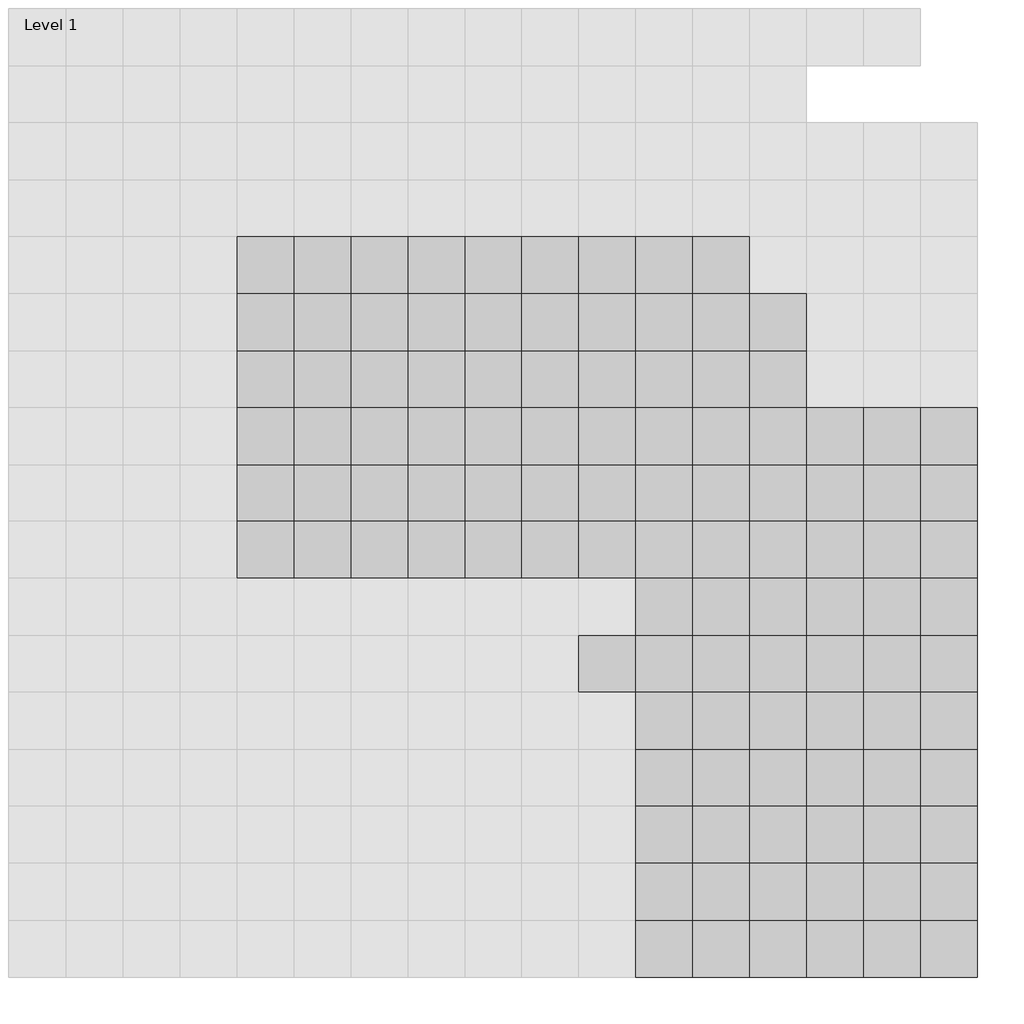
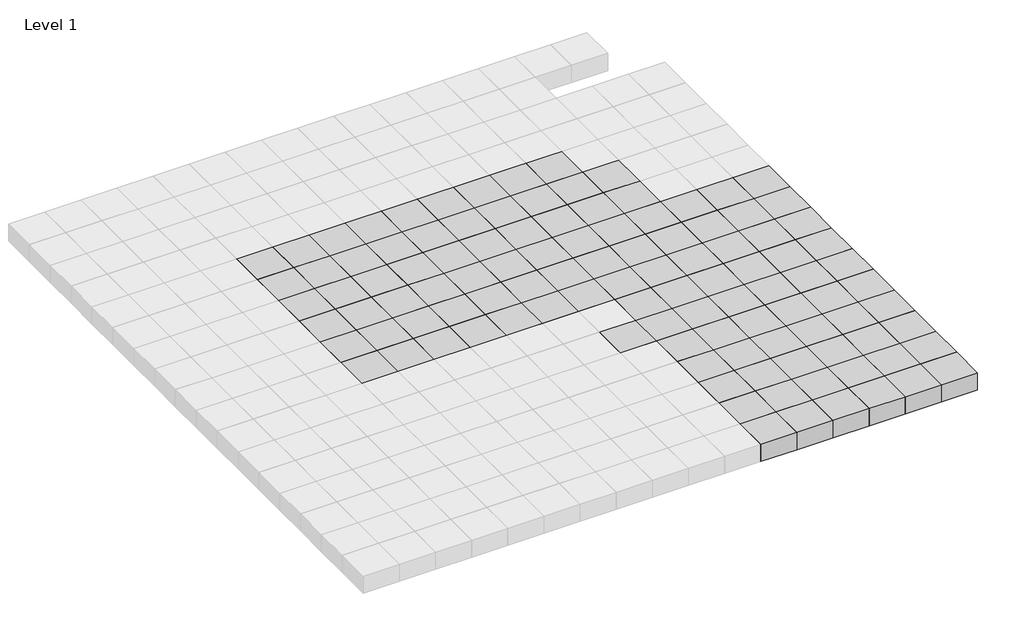
# One storey, part 19 of 30: 111 columns.
"""IFC4 building model written with IfcOpenShell, lengths in millimetres."""

import ifcopenshell
import ifcopenshell.guid

model = None  # the IFC model being written
_history = None  # IfcOwnerHistory: only IFC2X3 demands one
_inside = {}  # id of a spatial element -> (the spatial element, [elements in it])
_under = {}  # id of a project, library or spatial element -> (it, [spatial elements below it])
_declared = {}  # id of a project -> (the project, [libraries it declares])
_typed = {}  # id of a type object -> (the type object, [elements of that type])
_made_of = {}  # id of a material, layer set ... -> (it, [elements and type objects made of it])


def new_model(schema):
    """Start an empty IFC model of exactly this schema.

    Asked for "IFC4X3", IfcOpenShell would pick the latest addendum, in which some entities
    have other attributes; the version numbers below select the first issue.
    IFC2X3 requires an IfcOwnerHistory on every rooted entity: one is made here for all.
    """
    global model, _history
    if schema == "IFC4X3":
        model = ifcopenshell.file(schema_version=(4, 3, 0, 0))
    else:
        model = ifcopenshell.file(schema=schema)
    _inside.clear()
    _under.clear()
    _declared.clear()
    _typed.clear()
    _made_of.clear()
    _history = None
    if model.schema == "IFC2X3":
        org = make("IfcOrganization", Name="unknown")
        user = make(
            "IfcPersonAndOrganization",
            ThePerson=make("IfcPerson", FamilyName="unknown"),
            TheOrganization=org,
        )
        app = make(
            "IfcApplication",
            ApplicationDeveloper=org,
            Version="unknown",
            ApplicationFullName="unknown",
            ApplicationIdentifier="unknown",
        )
        _history = make(
            "IfcOwnerHistory",
            OwningUser=user,
            OwningApplication=app,
            ChangeAction="ADDED",
            CreationDate=0,
        )
    return model


def make(cls, **values):
    """One entity of the class cls with the attributes given. An attribute that is None is left unset."""
    return model.create_entity(
        cls, **{name: value for name, value in values.items() if value is not None}
    )


def rooted(cls, **values):
    """An entity with a GlobalId (a new one), such as an element, a storey or a relation."""
    return make(cls, GlobalId=ifcopenshell.guid.new(), OwnerHistory=_history, **values)


def si_unit(unit_type, name, prefix=None):
    """IfcSIUnit, for example si_unit("LENGTHUNIT", "METRE", prefix="MILLI")."""
    return make("IfcSIUnit", UnitType=unit_type, Prefix=prefix, Name=name)


def assignment(units):
    """IfcUnitAssignment: the units of a project."""
    return None if units is None else make("IfcUnitAssignment", Units=units)


def point(xyz):
    """IfcCartesianPoint."""
    return None if xyz is None else make("IfcCartesianPoint", Coordinates=xyz)


def direction(xyz):
    """IfcDirection."""
    return None if xyz is None else make("IfcDirection", DirectionRatios=xyz)


def frame(location, z_axis=None, x_axis=None):
    """IfcAxis2Placement3D, a coordinate frame: its origin and axes. An axis left out is left unset."""
    return make(
        "IfcAxis2Placement3D",
        Location=point(location),
        Axis=direction(z_axis),
        RefDirection=direction(x_axis),
    )


def origin():
    """The frame at (0, 0, 0) with its axes left unset."""
    return frame((0.0, 0.0, 0.0))


def origin_with_axes():
    """The frame at (0, 0, 0) with the z axis (0, 0, 1) and the x axis (1, 0, 0) written out."""
    return frame((0.0, 0.0, 0.0), z_axis=(0.0, 0.0, 1.0), x_axis=(1.0, 0.0, 0.0))


def place(relative_to, where):
    """IfcLocalPlacement: puts the frame where relative to a parent placement (None: the world)."""
    return make(
        "IfcLocalPlacement", PlacementRelTo=relative_to, RelativePlacement=where
    )


def context(
    kind, dimensions, precision=None, world=None, true_north=None, identifier=None
):
    """IfcGeometricRepresentationContext, for example the 3D "Model" context."""
    return make(
        "IfcGeometricRepresentationContext",
        ContextIdentifier=identifier,
        ContextType=kind,
        CoordinateSpaceDimension=dimensions,
        Precision=precision,
        WorldCoordinateSystem=world,
        TrueNorth=true_north,
    )


def project(units=None, contexts=None):
    """IfcProject with its units and contexts."""
    return rooted(
        "IfcProject",
        Name="project",
        RepresentationContexts=contexts,
        UnitsInContext=assignment(units),
    )


def spatial(cls, under=None, at=None, **own):
    """A site, building, storey or space (cls), placed at a placement, below another one or the project."""
    s = rooted(cls, ObjectPlacement=at, **own)
    if under is not None:
        _under.setdefault(under.id(), (under, []))[1].append(s)
    return s


def polyline(points):
    """IfcPolyline through the points."""
    return make("IfcPolyline", Points=[point(p) for p in points])


def outline(outer, holes=None, kind="AREA"):
    """IfcArbitraryClosedProfileDef: a profile drawn as a closed curve; with holes, ...WithVoids."""
    if holes is None:
        return make("IfcArbitraryClosedProfileDef", ProfileType=kind, OuterCurve=outer)
    return make(
        "IfcArbitraryProfileDefWithVoids",
        ProfileType=kind,
        OuterCurve=outer,
        InnerCurves=holes,
    )


def extrude(swept, where, along, depth):
    """IfcExtrudedAreaSolid: the profile swept, set in the frame where, extruded along a direction by depth."""
    return make(
        "IfcExtrudedAreaSolid",
        SweptArea=swept,
        Position=where,
        ExtrudedDirection=direction(along),
        Depth=depth,
    )


def shape(context_of_items, identifier, shape_type, items):
    """IfcShapeRepresentation: the items that make up one representation, for example the "Body"."""
    return make(
        "IfcShapeRepresentation",
        ContextOfItems=context_of_items,
        RepresentationIdentifier=identifier,
        RepresentationType=shape_type,
        Items=items,
    )


def source(mapping_origin, context_of_items, identifier, shape_type, items):
    """IfcRepresentationMap: a shape defined once, which mapped items show again and again."""
    return make(
        "IfcRepresentationMap",
        MappingOrigin=mapping_origin,
        MappedRepresentation=shape(context_of_items, identifier, shape_type, items),
    )


def transform(
    local_origin,
    x_axis=None,
    y_axis=None,
    z_axis=None,
    scale=None,
    scale2=None,
    scale3=None,
    uniform=True,
):
    """IfcCartesianTransformationOperator3D, or its non-uniform kind. x_axis, y_axis, z_axis: its Axis1, 2, 3."""
    if uniform:
        return make(
            "IfcCartesianTransformationOperator3D",
            Axis1=direction(x_axis),
            Axis2=direction(y_axis),
            LocalOrigin=point(local_origin),
            Scale=scale,
            Axis3=direction(z_axis),
        )
    return make(
        "IfcCartesianTransformationOperator3DnonUniform",
        Axis1=direction(x_axis),
        Axis2=direction(y_axis),
        LocalOrigin=point(local_origin),
        Scale=scale,
        Axis3=direction(z_axis),
        Scale2=scale2,
        Scale3=scale3,
    )


def mapped(mapping_source, mapping_target):
    """IfcMappedItem: shows the shape of a source again, moved by a transform."""
    return make(
        "IfcMappedItem", MappingSource=mapping_source, MappingTarget=mapping_target
    )


def made_of(thing, what):
    """Note that an element or type object is made of a material, layer set ...; save() writes the relation."""
    if what is not None:
        _made_of.setdefault(what.id(), (what, []))[1].append(thing)
    return thing


def element(
    cls,
    number,
    at=None,
    inside=None,
    cuts=None,
    type_object=None,
    material=None,
    context=None,
    identifier="Body",
    shape_type=None,
    held_by="IfcProductDefinitionShape",
    body=None,
    shapes=None,
    **own,
):
    """One element of the class cls, such as IfcWall. Its Tag is "e" and its number.

    at: its placement. inside: the storey or other place that contains it. cuts: it is an
    opening in that element (IfcRelVoidsElement). A single representation is given by context,
    identifier, shape_type and body (its items); several are given by shapes. held_by: the class
    of the entity that holds the representations. save() writes the other relations.
    """
    e = rooted(cls, Tag="e%d" % number, ObjectPlacement=at, **own)
    if body is not None:
        shapes = [shape(context, identifier, shape_type, body)]
    if shapes is not None:
        e.Representation = make(held_by, Representations=shapes)
    if inside is not None:
        _inside.setdefault(inside.id(), (inside, []))[1].append(e)
    if cuts is not None:
        rooted(
            "IfcRelVoidsElement", RelatingBuildingElement=cuts, RelatedOpeningElement=e
        )
    if type_object is not None:
        _typed.setdefault(type_object.id(), (type_object, []))[1].append(e)
    return made_of(e, material)


def aggregate(whole, parts):
    """IfcRelAggregates: a whole, such as a stair, and the parts it consists of."""
    return rooted("IfcRelAggregates", RelatingObject=whole, RelatedObjects=parts)


def save(model, path):
    """Write the relations noted so far, then the file.

    IfcRelAggregates (storeys below a building ...), IfcRelContainedInSpatialStructure (elements
    in a storey), IfcRelDefinesByType, IfcRelAssociatesMaterial and IfcRelDeclares: one each for
    every whole, place, type object, material and project.
    """
    for whole, parts in _under.values():
        aggregate(whole, parts)
    for where, things in _inside.values():
        rooted(
            "IfcRelContainedInSpatialStructure",
            RelatedElements=things,
            RelatingStructure=where,
        )
    for kind, things in _typed.values():
        rooted("IfcRelDefinesByType", RelatedObjects=things, RelatingType=kind)
    for what, things in _made_of.values():
        rooted("IfcRelAssociatesMaterial", RelatedObjects=things, RelatingMaterial=what)
    for by, libraries in _declared.values():
        rooted("IfcRelDeclares", RelatingContext=by, RelatedDefinitions=libraries)
    model.write(path)


def m_concrete_square_column_600_x_600mm_cc081a69(model_context):
    return source(origin(), model_context, "Body", "SweptSolid", [
        extrude(outline(polyline([(300.0, 300.0), (300.0, -300.0), (-300.0, -300.0), (-300.0, 300.0), (300.0, 300.0)])), origin_with_axes(), (0.0, 0.0, 1.0), 300.0),
    ])


model = new_model("IFC4")

# Units and contexts
model_context = context("Model", 3, world=origin())
ifc_project = project(units=[si_unit("LENGTHUNIT", "METRE", prefix="MILLI")], contexts=[model_context])

# Site, building, storey
site = spatial("IfcSite", under=ifc_project)
building = spatial("IfcBuilding", under=site)
storey = spatial("IfcBuildingStorey", under=building, Name="Level 1", Elevation=0.0)

# Columns
placement = place(None, origin())
m_concrete_square_column_600_x_600mm_shape = m_concrete_square_column_600_x_600mm_cc081a69(model_context)
element("IfcColumn", 1, ObjectType="M_Concrete-Square-Column : 600 x 600mm", at=placement, inside=storey, context=model_context, shape_type="MappedRepresentation", body=[
    mapped(m_concrete_square_column_600_x_600mm_shape, transform((88250.9001936, 23469.0976583, 0.0), x_axis=(1.0, 0.0, 0.0), y_axis=(0.0, 1.0, 0.0), z_axis=(0.0, 0.0, 1.0))),
])
element("IfcColumn", 2, ObjectType="M_Concrete-Square-Column : 600 x 600mm", at=placement, inside=storey, context=model_context, shape_type="MappedRepresentation", body=[
    mapped(m_concrete_square_column_600_x_600mm_shape, transform((88850.9001936, 23469.0976583, 0.0), x_axis=(1.0, 0.0, 0.0), y_axis=(0.0, 1.0, 0.0), z_axis=(0.0, 0.0, 1.0))),
])
element("IfcColumn", 3, ObjectType="M_Concrete-Square-Column : 600 x 600mm", at=placement, inside=storey, context=model_context, shape_type="MappedRepresentation", body=[
    mapped(m_concrete_square_column_600_x_600mm_shape, transform((89450.9001936, 23469.0976583, 0.0), x_axis=(1.0, 0.0, 0.0), y_axis=(0.0, 1.0, 0.0), z_axis=(0.0, 0.0, 1.0))),
])
element("IfcColumn", 4, ObjectType="M_Concrete-Square-Column : 600 x 600mm", at=placement, inside=storey, context=model_context, shape_type="MappedRepresentation", body=[
    mapped(m_concrete_square_column_600_x_600mm_shape, transform((90050.9001936, 23469.0976583, 0.0), x_axis=(1.0, 0.0, 0.0), y_axis=(0.0, 1.0, 0.0), z_axis=(0.0, 0.0, 1.0))),
])
element("IfcColumn", 5, ObjectType="M_Concrete-Square-Column : 600 x 600mm", at=placement, inside=storey, context=model_context, shape_type="MappedRepresentation", body=[
    mapped(m_concrete_square_column_600_x_600mm_shape, transform((90650.9001936, 23469.0976583, 0.0), x_axis=(1.0, 0.0, 0.0), y_axis=(0.0, 1.0, 0.0), z_axis=(0.0, 0.0, 1.0))),
])
element("IfcColumn", 6, ObjectType="M_Concrete-Square-Column : 600 x 600mm", at=placement, inside=storey, context=model_context, shape_type="MappedRepresentation", body=[
    mapped(m_concrete_square_column_600_x_600mm_shape, transform((91250.9001936, 23469.0976583, 0.0), x_axis=(1.0, 0.0, 0.0), y_axis=(0.0, 1.0, 0.0), z_axis=(0.0, 0.0, 1.0))),
])
element("IfcColumn", 7, ObjectType="M_Concrete-Square-Column : 600 x 600mm", at=placement, inside=storey, context=model_context, shape_type="MappedRepresentation", body=[
    mapped(m_concrete_square_column_600_x_600mm_shape, transform((91850.9001936, 23469.0976583, 0.0), x_axis=(1.0, 0.0, 0.0), y_axis=(0.0, 1.0, 0.0), z_axis=(0.0, 0.0, 1.0))),
])
element("IfcColumn", 8, ObjectType="M_Concrete-Square-Column : 600 x 600mm", at=placement, inside=storey, context=model_context, shape_type="MappedRepresentation", body=[
    mapped(m_concrete_square_column_600_x_600mm_shape, transform((92450.9001936, 23469.0976583, 0.0), x_axis=(1.0, 0.0, 0.0), y_axis=(0.0, 1.0, 0.0), z_axis=(0.0, 0.0, 1.0))),
])
element("IfcColumn", 9, ObjectType="M_Concrete-Square-Column : 600 x 600mm", at=placement, inside=storey, context=model_context, shape_type="MappedRepresentation", body=[
    mapped(m_concrete_square_column_600_x_600mm_shape, transform((93050.9001936, 23469.0976583, 0.0), x_axis=(1.0, 0.0, 0.0), y_axis=(0.0, 1.0, 0.0), z_axis=(0.0, 0.0, 1.0))),
])
element("IfcColumn", 10, ObjectType="M_Concrete-Square-Column : 600 x 600mm", at=placement, inside=storey, context=model_context, shape_type="MappedRepresentation", body=[
    mapped(m_concrete_square_column_600_x_600mm_shape, transform((88250.9001936, 22869.0976583, 0.0), x_axis=(1.0, 0.0, 0.0), y_axis=(0.0, 1.0, 0.0), z_axis=(0.0, 0.0, 1.0))),
])
element("IfcColumn", 11, ObjectType="M_Concrete-Square-Column : 600 x 600mm", at=placement, inside=storey, context=model_context, shape_type="MappedRepresentation", body=[
    mapped(m_concrete_square_column_600_x_600mm_shape, transform((88850.9001936, 22869.0976583, 0.0), x_axis=(1.0, 0.0, 0.0), y_axis=(0.0, 1.0, 0.0), z_axis=(0.0, 0.0, 1.0))),
])
element("IfcColumn", 12, ObjectType="M_Concrete-Square-Column : 600 x 600mm", at=placement, inside=storey, context=model_context, shape_type="MappedRepresentation", body=[
    mapped(m_concrete_square_column_600_x_600mm_shape, transform((89450.9001936, 22869.0976583, 0.0), x_axis=(1.0, 0.0, 0.0), y_axis=(0.0, 1.0, 0.0), z_axis=(0.0, 0.0, 1.0))),
])
element("IfcColumn", 13, ObjectType="M_Concrete-Square-Column : 600 x 600mm", at=placement, inside=storey, context=model_context, shape_type="MappedRepresentation", body=[
    mapped(m_concrete_square_column_600_x_600mm_shape, transform((88250.9001936, 22269.0976583, 0.0), x_axis=(1.0, 0.0, 0.0), y_axis=(0.0, 1.0, 0.0), z_axis=(0.0, 0.0, 1.0))),
])
element("IfcColumn", 14, ObjectType="M_Concrete-Square-Column : 600 x 600mm", at=placement, inside=storey, context=model_context, shape_type="MappedRepresentation", body=[
    mapped(m_concrete_square_column_600_x_600mm_shape, transform((88850.9001936, 22269.0976583, 0.0), x_axis=(1.0, 0.0, 0.0), y_axis=(0.0, 1.0, 0.0), z_axis=(0.0, 0.0, 1.0))),
])
element("IfcColumn", 15, ObjectType="M_Concrete-Square-Column : 600 x 600mm", at=placement, inside=storey, context=model_context, shape_type="MappedRepresentation", body=[
    mapped(m_concrete_square_column_600_x_600mm_shape, transform((89450.9001936, 22269.0976583, 0.0), x_axis=(1.0, 0.0, 0.0), y_axis=(0.0, 1.0, 0.0), z_axis=(0.0, 0.0, 1.0))),
])
element("IfcColumn", 16, ObjectType="M_Concrete-Square-Column : 600 x 600mm", at=placement, inside=storey, context=model_context, shape_type="MappedRepresentation", body=[
    mapped(m_concrete_square_column_600_x_600mm_shape, transform((88250.9001936, 21669.0976583, 0.0), x_axis=(1.0, 0.0, 0.0), y_axis=(0.0, 1.0, 0.0), z_axis=(0.0, 0.0, 1.0))),
])
element("IfcColumn", 17, ObjectType="M_Concrete-Square-Column : 600 x 600mm", at=placement, inside=storey, context=model_context, shape_type="MappedRepresentation", body=[
    mapped(m_concrete_square_column_600_x_600mm_shape, transform((88850.9001936, 21669.0976583, 0.0), x_axis=(1.0, 0.0, 0.0), y_axis=(0.0, 1.0, 0.0), z_axis=(0.0, 0.0, 1.0))),
])
element("IfcColumn", 18, ObjectType="M_Concrete-Square-Column : 600 x 600mm", at=placement, inside=storey, context=model_context, shape_type="MappedRepresentation", body=[
    mapped(m_concrete_square_column_600_x_600mm_shape, transform((89450.9001936, 21669.0976583, 0.0), x_axis=(1.0, 0.0, 0.0), y_axis=(0.0, 1.0, 0.0), z_axis=(0.0, 0.0, 1.0))),
])
element("IfcColumn", 19, ObjectType="M_Concrete-Square-Column : 600 x 600mm", at=placement, inside=storey, context=model_context, shape_type="MappedRepresentation", body=[
    mapped(m_concrete_square_column_600_x_600mm_shape, transform((88250.9001936, 21069.0976583, 0.0), x_axis=(1.0, 0.0, 0.0), y_axis=(0.0, 1.0, 0.0), z_axis=(0.0, 0.0, 1.0))),
])
element("IfcColumn", 20, ObjectType="M_Concrete-Square-Column : 600 x 600mm", at=placement, inside=storey, context=model_context, shape_type="MappedRepresentation", body=[
    mapped(m_concrete_square_column_600_x_600mm_shape, transform((88850.9001936, 21069.0976583, 0.0), x_axis=(1.0, 0.0, 0.0), y_axis=(0.0, 1.0, 0.0), z_axis=(0.0, 0.0, 1.0))),
])
element("IfcColumn", 21, ObjectType="M_Concrete-Square-Column : 600 x 600mm", at=placement, inside=storey, context=model_context, shape_type="MappedRepresentation", body=[
    mapped(m_concrete_square_column_600_x_600mm_shape, transform((89450.9001936, 21069.0976583, 0.0), x_axis=(1.0, 0.0, 0.0), y_axis=(0.0, 1.0, 0.0), z_axis=(0.0, 0.0, 1.0))),
])
element("IfcColumn", 22, ObjectType="M_Concrete-Square-Column : 600 x 600mm", at=placement, inside=storey, context=model_context, shape_type="MappedRepresentation", body=[
    mapped(m_concrete_square_column_600_x_600mm_shape, transform((88250.9001936, 20469.0976583, 0.0), x_axis=(1.0, 0.0, 0.0), y_axis=(0.0, 1.0, 0.0), z_axis=(0.0, 0.0, 1.0))),
])
element("IfcColumn", 23, ObjectType="M_Concrete-Square-Column : 600 x 600mm", at=placement, inside=storey, context=model_context, shape_type="MappedRepresentation", body=[
    mapped(m_concrete_square_column_600_x_600mm_shape, transform((88850.9001936, 20469.0976583, 0.0), x_axis=(1.0, 0.0, 0.0), y_axis=(0.0, 1.0, 0.0), z_axis=(0.0, 0.0, 1.0))),
])
element("IfcColumn", 24, ObjectType="M_Concrete-Square-Column : 600 x 600mm", at=placement, inside=storey, context=model_context, shape_type="MappedRepresentation", body=[
    mapped(m_concrete_square_column_600_x_600mm_shape, transform((89450.9001936, 20469.0976583, 0.0), x_axis=(1.0, 0.0, 0.0), y_axis=(0.0, 1.0, 0.0), z_axis=(0.0, 0.0, 1.0))),
])
element("IfcColumn", 25, ObjectType="M_Concrete-Square-Column : 600 x 600mm", at=placement, inside=storey, context=model_context, shape_type="MappedRepresentation", body=[
    mapped(m_concrete_square_column_600_x_600mm_shape, transform((90050.9001936, 22869.0976583, 0.0), x_axis=(1.0, 0.0, 0.0), y_axis=(0.0, 1.0, 0.0), z_axis=(0.0, 0.0, 1.0))),
])
element("IfcColumn", 26, ObjectType="M_Concrete-Square-Column : 600 x 600mm", at=placement, inside=storey, context=model_context, shape_type="MappedRepresentation", body=[
    mapped(m_concrete_square_column_600_x_600mm_shape, transform((90650.9001936, 22869.0976583, 0.0), x_axis=(1.0, 0.0, 0.0), y_axis=(0.0, 1.0, 0.0), z_axis=(0.0, 0.0, 1.0))),
])
element("IfcColumn", 27, ObjectType="M_Concrete-Square-Column : 600 x 600mm", at=placement, inside=storey, context=model_context, shape_type="MappedRepresentation", body=[
    mapped(m_concrete_square_column_600_x_600mm_shape, transform((91250.9001936, 22869.0976583, 0.0), x_axis=(1.0, 0.0, 0.0), y_axis=(0.0, 1.0, 0.0), z_axis=(0.0, 0.0, 1.0))),
])
element("IfcColumn", 28, ObjectType="M_Concrete-Square-Column : 600 x 600mm", at=placement, inside=storey, context=model_context, shape_type="MappedRepresentation", body=[
    mapped(m_concrete_square_column_600_x_600mm_shape, transform((91850.9001936, 22869.0976583, 0.0), x_axis=(1.0, 0.0, 0.0), y_axis=(0.0, 1.0, 0.0), z_axis=(0.0, 0.0, 1.0))),
])
element("IfcColumn", 29, ObjectType="M_Concrete-Square-Column : 600 x 600mm", at=placement, inside=storey, context=model_context, shape_type="MappedRepresentation", body=[
    mapped(m_concrete_square_column_600_x_600mm_shape, transform((92450.9001936, 22869.0976583, 0.0), x_axis=(1.0, 0.0, 0.0), y_axis=(0.0, 1.0, 0.0), z_axis=(0.0, 0.0, 1.0))),
])
element("IfcColumn", 30, ObjectType="M_Concrete-Square-Column : 600 x 600mm", at=placement, inside=storey, context=model_context, shape_type="MappedRepresentation", body=[
    mapped(m_concrete_square_column_600_x_600mm_shape, transform((90050.9001936, 22269.0976583, 0.0), x_axis=(1.0, 0.0, 0.0), y_axis=(0.0, 1.0, 0.0), z_axis=(0.0, 0.0, 1.0))),
])
element("IfcColumn", 31, ObjectType="M_Concrete-Square-Column : 600 x 600mm", at=placement, inside=storey, context=model_context, shape_type="MappedRepresentation", body=[
    mapped(m_concrete_square_column_600_x_600mm_shape, transform((90650.9001936, 22269.0976583, 0.0), x_axis=(1.0, 0.0, 0.0), y_axis=(0.0, 1.0, 0.0), z_axis=(0.0, 0.0, 1.0))),
])
element("IfcColumn", 32, ObjectType="M_Concrete-Square-Column : 600 x 600mm", at=placement, inside=storey, context=model_context, shape_type="MappedRepresentation", body=[
    mapped(m_concrete_square_column_600_x_600mm_shape, transform((91250.9001936, 22269.0976583, 0.0), x_axis=(1.0, 0.0, 0.0), y_axis=(0.0, 1.0, 0.0), z_axis=(0.0, 0.0, 1.0))),
])
element("IfcColumn", 33, ObjectType="M_Concrete-Square-Column : 600 x 600mm", at=placement, inside=storey, context=model_context, shape_type="MappedRepresentation", body=[
    mapped(m_concrete_square_column_600_x_600mm_shape, transform((91850.9001936, 22269.0976583, 0.0), x_axis=(1.0, 0.0, 0.0), y_axis=(0.0, 1.0, 0.0), z_axis=(0.0, 0.0, 1.0))),
])
element("IfcColumn", 34, ObjectType="M_Concrete-Square-Column : 600 x 600mm", at=placement, inside=storey, context=model_context, shape_type="MappedRepresentation", body=[
    mapped(m_concrete_square_column_600_x_600mm_shape, transform((92450.9001936, 22269.0976583, 0.0), x_axis=(1.0, 0.0, 0.0), y_axis=(0.0, 1.0, 0.0), z_axis=(0.0, 0.0, 1.0))),
])
element("IfcColumn", 35, ObjectType="M_Concrete-Square-Column : 600 x 600mm", at=placement, inside=storey, context=model_context, shape_type="MappedRepresentation", body=[
    mapped(m_concrete_square_column_600_x_600mm_shape, transform((90050.9001936, 21669.0976583, 0.0), x_axis=(1.0, 0.0, 0.0), y_axis=(0.0, 1.0, 0.0), z_axis=(0.0, 0.0, 1.0))),
])
element("IfcColumn", 36, ObjectType="M_Concrete-Square-Column : 600 x 600mm", at=placement, inside=storey, context=model_context, shape_type="MappedRepresentation", body=[
    mapped(m_concrete_square_column_600_x_600mm_shape, transform((90650.9001936, 21669.0976583, 0.0), x_axis=(1.0, 0.0, 0.0), y_axis=(0.0, 1.0, 0.0), z_axis=(0.0, 0.0, 1.0))),
])
element("IfcColumn", 37, ObjectType="M_Concrete-Square-Column : 600 x 600mm", at=placement, inside=storey, context=model_context, shape_type="MappedRepresentation", body=[
    mapped(m_concrete_square_column_600_x_600mm_shape, transform((91250.9001936, 21669.0976583, 0.0), x_axis=(1.0, 0.0, 0.0), y_axis=(0.0, 1.0, 0.0), z_axis=(0.0, 0.0, 1.0))),
])
element("IfcColumn", 38, ObjectType="M_Concrete-Square-Column : 600 x 600mm", at=placement, inside=storey, context=model_context, shape_type="MappedRepresentation", body=[
    mapped(m_concrete_square_column_600_x_600mm_shape, transform((91850.9001936, 21669.0976583, 0.0), x_axis=(1.0, 0.0, 0.0), y_axis=(0.0, 1.0, 0.0), z_axis=(0.0, 0.0, 1.0))),
])
element("IfcColumn", 39, ObjectType="M_Concrete-Square-Column : 600 x 600mm", at=placement, inside=storey, context=model_context, shape_type="MappedRepresentation", body=[
    mapped(m_concrete_square_column_600_x_600mm_shape, transform((92450.9001936, 21669.0976583, 0.0), x_axis=(1.0, 0.0, 0.0), y_axis=(0.0, 1.0, 0.0), z_axis=(0.0, 0.0, 1.0))),
])
element("IfcColumn", 40, ObjectType="M_Concrete-Square-Column : 600 x 600mm", at=placement, inside=storey, context=model_context, shape_type="MappedRepresentation", body=[
    mapped(m_concrete_square_column_600_x_600mm_shape, transform((90050.9001936, 21069.0976583, 0.0), x_axis=(1.0, 0.0, 0.0), y_axis=(0.0, 1.0, 0.0), z_axis=(0.0, 0.0, 1.0))),
])
element("IfcColumn", 41, ObjectType="M_Concrete-Square-Column : 600 x 600mm", at=placement, inside=storey, context=model_context, shape_type="MappedRepresentation", body=[
    mapped(m_concrete_square_column_600_x_600mm_shape, transform((90650.9001936, 21069.0976583, 0.0), x_axis=(1.0, 0.0, 0.0), y_axis=(0.0, 1.0, 0.0), z_axis=(0.0, 0.0, 1.0))),
])
element("IfcColumn", 42, ObjectType="M_Concrete-Square-Column : 600 x 600mm", at=placement, inside=storey, context=model_context, shape_type="MappedRepresentation", body=[
    mapped(m_concrete_square_column_600_x_600mm_shape, transform((91250.9001936, 21069.0976583, 0.0), x_axis=(1.0, 0.0, 0.0), y_axis=(0.0, 1.0, 0.0), z_axis=(0.0, 0.0, 1.0))),
])
element("IfcColumn", 43, ObjectType="M_Concrete-Square-Column : 600 x 600mm", at=placement, inside=storey, context=model_context, shape_type="MappedRepresentation", body=[
    mapped(m_concrete_square_column_600_x_600mm_shape, transform((91850.9001936, 21069.0976583, 0.0), x_axis=(1.0, 0.0, 0.0), y_axis=(0.0, 1.0, 0.0), z_axis=(0.0, 0.0, 1.0))),
])
element("IfcColumn", 44, ObjectType="M_Concrete-Square-Column : 600 x 600mm", at=placement, inside=storey, context=model_context, shape_type="MappedRepresentation", body=[
    mapped(m_concrete_square_column_600_x_600mm_shape, transform((92450.9001936, 21069.0976583, 0.0), x_axis=(1.0, 0.0, 0.0), y_axis=(0.0, 1.0, 0.0), z_axis=(0.0, 0.0, 1.0))),
])
element("IfcColumn", 45, ObjectType="M_Concrete-Square-Column : 600 x 600mm", at=placement, inside=storey, context=model_context, shape_type="MappedRepresentation", body=[
    mapped(m_concrete_square_column_600_x_600mm_shape, transform((90050.9001936, 20469.0976583, 0.0), x_axis=(1.0, 0.0, 0.0), y_axis=(0.0, 1.0, 0.0), z_axis=(0.0, 0.0, 1.0))),
])
element("IfcColumn", 46, ObjectType="M_Concrete-Square-Column : 600 x 600mm", at=placement, inside=storey, context=model_context, shape_type="MappedRepresentation", body=[
    mapped(m_concrete_square_column_600_x_600mm_shape, transform((90650.9001936, 20469.0976583, 0.0), x_axis=(1.0, 0.0, 0.0), y_axis=(0.0, 1.0, 0.0), z_axis=(0.0, 0.0, 1.0))),
])
element("IfcColumn", 47, ObjectType="M_Concrete-Square-Column : 600 x 600mm", at=placement, inside=storey, context=model_context, shape_type="MappedRepresentation", body=[
    mapped(m_concrete_square_column_600_x_600mm_shape, transform((91250.9001936, 20469.0976583, 0.0), x_axis=(1.0, 0.0, 0.0), y_axis=(0.0, 1.0, 0.0), z_axis=(0.0, 0.0, 1.0))),
])
element("IfcColumn", 48, ObjectType="M_Concrete-Square-Column : 600 x 600mm", at=placement, inside=storey, context=model_context, shape_type="MappedRepresentation", body=[
    mapped(m_concrete_square_column_600_x_600mm_shape, transform((91850.9001936, 20469.0976583, 0.0), x_axis=(1.0, 0.0, 0.0), y_axis=(0.0, 1.0, 0.0), z_axis=(0.0, 0.0, 1.0))),
])
element("IfcColumn", 49, ObjectType="M_Concrete-Square-Column : 600 x 600mm", at=placement, inside=storey, context=model_context, shape_type="MappedRepresentation", body=[
    mapped(m_concrete_square_column_600_x_600mm_shape, transform((92450.9001936, 20469.0976583, 0.0), x_axis=(1.0, 0.0, 0.0), y_axis=(0.0, 1.0, 0.0), z_axis=(0.0, 0.0, 1.0))),
])
element("IfcColumn", 50, ObjectType="M_Concrete-Square-Column : 600 x 600mm", at=placement, inside=storey, context=model_context, shape_type="MappedRepresentation", body=[
    mapped(m_concrete_square_column_600_x_600mm_shape, transform((93050.9001936, 22869.0976583, 0.0), x_axis=(1.0, 0.0, 0.0), y_axis=(0.0, 1.0, 0.0), z_axis=(0.0, 0.0, 1.0))),
])
element("IfcColumn", 51, ObjectType="M_Concrete-Square-Column : 600 x 600mm", at=placement, inside=storey, context=model_context, shape_type="MappedRepresentation", body=[
    mapped(m_concrete_square_column_600_x_600mm_shape, transform((93650.9001936, 22869.0976583, 0.0), x_axis=(1.0, 0.0, 0.0), y_axis=(0.0, 1.0, 0.0), z_axis=(0.0, 0.0, 1.0))),
])
element("IfcColumn", 52, ObjectType="M_Concrete-Square-Column : 600 x 600mm", at=placement, inside=storey, context=model_context, shape_type="MappedRepresentation", body=[
    mapped(m_concrete_square_column_600_x_600mm_shape, transform((93050.9001936, 22269.0976583, 0.0), x_axis=(1.0, 0.0, 0.0), y_axis=(0.0, 1.0, 0.0), z_axis=(0.0, 0.0, 1.0))),
])
element("IfcColumn", 53, ObjectType="M_Concrete-Square-Column : 600 x 600mm", at=placement, inside=storey, context=model_context, shape_type="MappedRepresentation", body=[
    mapped(m_concrete_square_column_600_x_600mm_shape, transform((93650.9001936, 22269.0976583, 0.0), x_axis=(1.0, 0.0, 0.0), y_axis=(0.0, 1.0, 0.0), z_axis=(0.0, 0.0, 1.0))),
])
element("IfcColumn", 54, ObjectType="M_Concrete-Square-Column : 600 x 600mm", at=placement, inside=storey, context=model_context, shape_type="MappedRepresentation", body=[
    mapped(m_concrete_square_column_600_x_600mm_shape, transform((93050.9001936, 21669.0976583, 0.0), x_axis=(1.0, 0.0, 0.0), y_axis=(0.0, 1.0, 0.0), z_axis=(0.0, 0.0, 1.0))),
])
element("IfcColumn", 55, ObjectType="M_Concrete-Square-Column : 600 x 600mm", at=placement, inside=storey, context=model_context, shape_type="MappedRepresentation", body=[
    mapped(m_concrete_square_column_600_x_600mm_shape, transform((93650.9001936, 21669.0976583, 0.0), x_axis=(1.0, 0.0, 0.0), y_axis=(0.0, 1.0, 0.0), z_axis=(0.0, 0.0, 1.0))),
])
element("IfcColumn", 56, ObjectType="M_Concrete-Square-Column : 600 x 600mm", at=placement, inside=storey, context=model_context, shape_type="MappedRepresentation", body=[
    mapped(m_concrete_square_column_600_x_600mm_shape, transform((94250.9001936, 21669.0976583, 0.0), x_axis=(1.0, 0.0, 0.0), y_axis=(0.0, 1.0, 0.0), z_axis=(0.0, 0.0, 1.0))),
])
element("IfcColumn", 57, ObjectType="M_Concrete-Square-Column : 600 x 600mm", at=placement, inside=storey, context=model_context, shape_type="MappedRepresentation", body=[
    mapped(m_concrete_square_column_600_x_600mm_shape, transform((94850.9001936, 21669.0976583, 0.0), x_axis=(1.0, 0.0, 0.0), y_axis=(0.0, 1.0, 0.0), z_axis=(0.0, 0.0, 1.0))),
])
element("IfcColumn", 58, ObjectType="M_Concrete-Square-Column : 600 x 600mm", at=placement, inside=storey, context=model_context, shape_type="MappedRepresentation", body=[
    mapped(m_concrete_square_column_600_x_600mm_shape, transform((95450.9001936, 21669.0976583, 0.0), x_axis=(1.0, 0.0, 0.0), y_axis=(0.0, 1.0, 0.0), z_axis=(0.0, 0.0, 1.0))),
])
element("IfcColumn", 59, ObjectType="M_Concrete-Square-Column : 600 x 600mm", at=placement, inside=storey, context=model_context, shape_type="MappedRepresentation", body=[
    mapped(m_concrete_square_column_600_x_600mm_shape, transform((93050.9001936, 21069.0976583, 0.0), x_axis=(1.0, 0.0, 0.0), y_axis=(0.0, 1.0, 0.0), z_axis=(0.0, 0.0, 1.0))),
])
element("IfcColumn", 60, ObjectType="M_Concrete-Square-Column : 600 x 600mm", at=placement, inside=storey, context=model_context, shape_type="MappedRepresentation", body=[
    mapped(m_concrete_square_column_600_x_600mm_shape, transform((93650.9001936, 21069.0976583, 0.0), x_axis=(1.0, 0.0, 0.0), y_axis=(0.0, 1.0, 0.0), z_axis=(0.0, 0.0, 1.0))),
])
element("IfcColumn", 61, ObjectType="M_Concrete-Square-Column : 600 x 600mm", at=placement, inside=storey, context=model_context, shape_type="MappedRepresentation", body=[
    mapped(m_concrete_square_column_600_x_600mm_shape, transform((94250.9001936, 21069.0976583, 0.0), x_axis=(1.0, 0.0, 0.0), y_axis=(0.0, 1.0, 0.0), z_axis=(0.0, 0.0, 1.0))),
])
element("IfcColumn", 62, ObjectType="M_Concrete-Square-Column : 600 x 600mm", at=placement, inside=storey, context=model_context, shape_type="MappedRepresentation", body=[
    mapped(m_concrete_square_column_600_x_600mm_shape, transform((94850.9001936, 21069.0976583, 0.0), x_axis=(1.0, 0.0, 0.0), y_axis=(0.0, 1.0, 0.0), z_axis=(0.0, 0.0, 1.0))),
])
element("IfcColumn", 63, ObjectType="M_Concrete-Square-Column : 600 x 600mm", at=placement, inside=storey, context=model_context, shape_type="MappedRepresentation", body=[
    mapped(m_concrete_square_column_600_x_600mm_shape, transform((95450.9001936, 21069.0976583, 0.0), x_axis=(1.0, 0.0, 0.0), y_axis=(0.0, 1.0, 0.0), z_axis=(0.0, 0.0, 1.0))),
])
element("IfcColumn", 64, ObjectType="M_Concrete-Square-Column : 600 x 600mm", at=placement, inside=storey, context=model_context, shape_type="MappedRepresentation", body=[
    mapped(m_concrete_square_column_600_x_600mm_shape, transform((93050.9001936, 20469.0976583, 0.0), x_axis=(1.0, 0.0, 0.0), y_axis=(0.0, 1.0, 0.0), z_axis=(0.0, 0.0, 1.0))),
])
element("IfcColumn", 65, ObjectType="M_Concrete-Square-Column : 600 x 600mm", at=placement, inside=storey, context=model_context, shape_type="MappedRepresentation", body=[
    mapped(m_concrete_square_column_600_x_600mm_shape, transform((93650.9001936, 20469.0976583, 0.0), x_axis=(1.0, 0.0, 0.0), y_axis=(0.0, 1.0, 0.0), z_axis=(0.0, 0.0, 1.0))),
])
element("IfcColumn", 66, ObjectType="M_Concrete-Square-Column : 600 x 600mm", at=placement, inside=storey, context=model_context, shape_type="MappedRepresentation", body=[
    mapped(m_concrete_square_column_600_x_600mm_shape, transform((94250.9001936, 20469.0976583, 0.0), x_axis=(1.0, 0.0, 0.0), y_axis=(0.0, 1.0, 0.0), z_axis=(0.0, 0.0, 1.0))),
])
element("IfcColumn", 67, ObjectType="M_Concrete-Square-Column : 600 x 600mm", at=placement, inside=storey, context=model_context, shape_type="MappedRepresentation", body=[
    mapped(m_concrete_square_column_600_x_600mm_shape, transform((94850.9001936, 20469.0976583, 0.0), x_axis=(1.0, 0.0, 0.0), y_axis=(0.0, 1.0, 0.0), z_axis=(0.0, 0.0, 1.0))),
])
element("IfcColumn", 68, ObjectType="M_Concrete-Square-Column : 600 x 600mm", at=placement, inside=storey, context=model_context, shape_type="MappedRepresentation", body=[
    mapped(m_concrete_square_column_600_x_600mm_shape, transform((95450.9001936, 20469.0976583, 0.0), x_axis=(1.0, 0.0, 0.0), y_axis=(0.0, 1.0, 0.0), z_axis=(0.0, 0.0, 1.0))),
])
element("IfcColumn", 69, ObjectType="M_Concrete-Square-Column : 600 x 600mm", at=placement, inside=storey, context=model_context, shape_type="MappedRepresentation", body=[
    mapped(m_concrete_square_column_600_x_600mm_shape, transform((92450.9001936, 19869.0976583, 0.0), x_axis=(1.0, 0.0, 0.0), y_axis=(0.0, 1.0, 0.0), z_axis=(0.0, 0.0, 1.0))),
])
element("IfcColumn", 70, ObjectType="M_Concrete-Square-Column : 600 x 600mm", at=placement, inside=storey, context=model_context, shape_type="MappedRepresentation", body=[
    mapped(m_concrete_square_column_600_x_600mm_shape, transform((91850.9001936, 19269.0976583, 0.0), x_axis=(1.0, 0.0, 0.0), y_axis=(0.0, 1.0, 0.0), z_axis=(0.0, 0.0, 1.0))),
])
element("IfcColumn", 71, ObjectType="M_Concrete-Square-Column : 600 x 600mm", at=placement, inside=storey, context=model_context, shape_type="MappedRepresentation", body=[
    mapped(m_concrete_square_column_600_x_600mm_shape, transform((92450.9001936, 19269.0976583, 0.0), x_axis=(1.0, 0.0, 0.0), y_axis=(0.0, 1.0, 0.0), z_axis=(0.0, 0.0, 1.0))),
])
element("IfcColumn", 72, ObjectType="M_Concrete-Square-Column : 600 x 600mm", at=placement, inside=storey, context=model_context, shape_type="MappedRepresentation", body=[
    mapped(m_concrete_square_column_600_x_600mm_shape, transform((92450.9001936, 18669.0976583, 0.0), x_axis=(1.0, 0.0, 0.0), y_axis=(0.0, 1.0, 0.0), z_axis=(0.0, 0.0, 1.0))),
])
element("IfcColumn", 73, ObjectType="M_Concrete-Square-Column : 600 x 600mm", at=placement, inside=storey, context=model_context, shape_type="MappedRepresentation", body=[
    mapped(m_concrete_square_column_600_x_600mm_shape, transform((92450.9001936, 18069.0976583, 0.0), x_axis=(1.0, 0.0, 0.0), y_axis=(0.0, 1.0, 0.0), z_axis=(0.0, 0.0, 1.0))),
])
element("IfcColumn", 74, ObjectType="M_Concrete-Square-Column : 600 x 600mm", at=placement, inside=storey, context=model_context, shape_type="MappedRepresentation", body=[
    mapped(m_concrete_square_column_600_x_600mm_shape, transform((92450.9001936, 17469.0976583, 0.0), x_axis=(1.0, 0.0, 0.0), y_axis=(0.0, 1.0, 0.0), z_axis=(0.0, 0.0, 1.0))),
])
element("IfcColumn", 75, ObjectType="M_Concrete-Square-Column : 600 x 600mm", at=placement, inside=storey, context=model_context, shape_type="MappedRepresentation", body=[
    mapped(m_concrete_square_column_600_x_600mm_shape, transform((93050.9001936, 19869.0976583, 0.0), x_axis=(1.0, 0.0, 0.0), y_axis=(0.0, 1.0, 0.0), z_axis=(0.0, 0.0, 1.0))),
])
element("IfcColumn", 76, ObjectType="M_Concrete-Square-Column : 600 x 600mm", at=placement, inside=storey, context=model_context, shape_type="MappedRepresentation", body=[
    mapped(m_concrete_square_column_600_x_600mm_shape, transform((93650.9001936, 19869.0976583, 0.0), x_axis=(1.0, 0.0, 0.0), y_axis=(0.0, 1.0, 0.0), z_axis=(0.0, 0.0, 1.0))),
])
element("IfcColumn", 77, ObjectType="M_Concrete-Square-Column : 600 x 600mm", at=placement, inside=storey, context=model_context, shape_type="MappedRepresentation", body=[
    mapped(m_concrete_square_column_600_x_600mm_shape, transform((94250.9001936, 19869.0976583, 0.0), x_axis=(1.0, 0.0, 0.0), y_axis=(0.0, 1.0, 0.0), z_axis=(0.0, 0.0, 1.0))),
])
element("IfcColumn", 78, ObjectType="M_Concrete-Square-Column : 600 x 600mm", at=placement, inside=storey, context=model_context, shape_type="MappedRepresentation", body=[
    mapped(m_concrete_square_column_600_x_600mm_shape, transform((94850.9001936, 19869.0976583, 0.0), x_axis=(1.0, 0.0, 0.0), y_axis=(0.0, 1.0, 0.0), z_axis=(0.0, 0.0, 1.0))),
])
element("IfcColumn", 79, ObjectType="M_Concrete-Square-Column : 600 x 600mm", at=placement, inside=storey, context=model_context, shape_type="MappedRepresentation", body=[
    mapped(m_concrete_square_column_600_x_600mm_shape, transform((95450.9001936, 19869.0976583, 0.0), x_axis=(1.0, 0.0, 0.0), y_axis=(0.0, 1.0, 0.0), z_axis=(0.0, 0.0, 1.0))),
])
element("IfcColumn", 80, ObjectType="M_Concrete-Square-Column : 600 x 600mm", at=placement, inside=storey, context=model_context, shape_type="MappedRepresentation", body=[
    mapped(m_concrete_square_column_600_x_600mm_shape, transform((93050.9001936, 19269.0976583, 0.0), x_axis=(1.0, 0.0, 0.0), y_axis=(0.0, 1.0, 0.0), z_axis=(0.0, 0.0, 1.0))),
])
element("IfcColumn", 81, ObjectType="M_Concrete-Square-Column : 600 x 600mm", at=placement, inside=storey, context=model_context, shape_type="MappedRepresentation", body=[
    mapped(m_concrete_square_column_600_x_600mm_shape, transform((93650.9001936, 19269.0976583, 0.0), x_axis=(1.0, 0.0, 0.0), y_axis=(0.0, 1.0, 0.0), z_axis=(0.0, 0.0, 1.0))),
])
element("IfcColumn", 82, ObjectType="M_Concrete-Square-Column : 600 x 600mm", at=placement, inside=storey, context=model_context, shape_type="MappedRepresentation", body=[
    mapped(m_concrete_square_column_600_x_600mm_shape, transform((94250.9001936, 19269.0976583, 0.0), x_axis=(1.0, 0.0, 0.0), y_axis=(0.0, 1.0, 0.0), z_axis=(0.0, 0.0, 1.0))),
])
element("IfcColumn", 83, ObjectType="M_Concrete-Square-Column : 600 x 600mm", at=placement, inside=storey, context=model_context, shape_type="MappedRepresentation", body=[
    mapped(m_concrete_square_column_600_x_600mm_shape, transform((94850.9001936, 19269.0976583, 0.0), x_axis=(1.0, 0.0, 0.0), y_axis=(0.0, 1.0, 0.0), z_axis=(0.0, 0.0, 1.0))),
])
element("IfcColumn", 84, ObjectType="M_Concrete-Square-Column : 600 x 600mm", at=placement, inside=storey, context=model_context, shape_type="MappedRepresentation", body=[
    mapped(m_concrete_square_column_600_x_600mm_shape, transform((95450.9001936, 19269.0976583, 0.0), x_axis=(1.0, 0.0, 0.0), y_axis=(0.0, 1.0, 0.0), z_axis=(0.0, 0.0, 1.0))),
])
element("IfcColumn", 85, ObjectType="M_Concrete-Square-Column : 600 x 600mm", at=placement, inside=storey, context=model_context, shape_type="MappedRepresentation", body=[
    mapped(m_concrete_square_column_600_x_600mm_shape, transform((93050.9001936, 18669.0976583, 0.0), x_axis=(1.0, 0.0, 0.0), y_axis=(0.0, 1.0, 0.0), z_axis=(0.0, 0.0, 1.0))),
])
element("IfcColumn", 86, ObjectType="M_Concrete-Square-Column : 600 x 600mm", at=placement, inside=storey, context=model_context, shape_type="MappedRepresentation", body=[
    mapped(m_concrete_square_column_600_x_600mm_shape, transform((93650.9001936, 18669.0976583, 0.0), x_axis=(1.0, 0.0, 0.0), y_axis=(0.0, 1.0, 0.0), z_axis=(0.0, 0.0, 1.0))),
])
element("IfcColumn", 87, ObjectType="M_Concrete-Square-Column : 600 x 600mm", at=placement, inside=storey, context=model_context, shape_type="MappedRepresentation", body=[
    mapped(m_concrete_square_column_600_x_600mm_shape, transform((94250.9001936, 18669.0976583, 0.0), x_axis=(1.0, 0.0, 0.0), y_axis=(0.0, 1.0, 0.0), z_axis=(0.0, 0.0, 1.0))),
])
element("IfcColumn", 88, ObjectType="M_Concrete-Square-Column : 600 x 600mm", at=placement, inside=storey, context=model_context, shape_type="MappedRepresentation", body=[
    mapped(m_concrete_square_column_600_x_600mm_shape, transform((94850.9001936, 18669.0976583, 0.0), x_axis=(1.0, 0.0, 0.0), y_axis=(0.0, 1.0, 0.0), z_axis=(0.0, 0.0, 1.0))),
])
element("IfcColumn", 89, ObjectType="M_Concrete-Square-Column : 600 x 600mm", at=placement, inside=storey, context=model_context, shape_type="MappedRepresentation", body=[
    mapped(m_concrete_square_column_600_x_600mm_shape, transform((95450.9001936, 18669.0976583, 0.0), x_axis=(1.0, 0.0, 0.0), y_axis=(0.0, 1.0, 0.0), z_axis=(0.0, 0.0, 1.0))),
])
element("IfcColumn", 90, ObjectType="M_Concrete-Square-Column : 600 x 600mm", at=placement, inside=storey, context=model_context, shape_type="MappedRepresentation", body=[
    mapped(m_concrete_square_column_600_x_600mm_shape, transform((93050.9001936, 18069.0976583, 0.0), x_axis=(1.0, 0.0, 0.0), y_axis=(0.0, 1.0, 0.0), z_axis=(0.0, 0.0, 1.0))),
])
element("IfcColumn", 91, ObjectType="M_Concrete-Square-Column : 600 x 600mm", at=placement, inside=storey, context=model_context, shape_type="MappedRepresentation", body=[
    mapped(m_concrete_square_column_600_x_600mm_shape, transform((93650.9001936, 18069.0976583, 0.0), x_axis=(1.0, 0.0, 0.0), y_axis=(0.0, 1.0, 0.0), z_axis=(0.0, 0.0, 1.0))),
])
element("IfcColumn", 92, ObjectType="M_Concrete-Square-Column : 600 x 600mm", at=placement, inside=storey, context=model_context, shape_type="MappedRepresentation", body=[
    mapped(m_concrete_square_column_600_x_600mm_shape, transform((94250.9001936, 18069.0976583, 0.0), x_axis=(1.0, 0.0, 0.0), y_axis=(0.0, 1.0, 0.0), z_axis=(0.0, 0.0, 1.0))),
])
element("IfcColumn", 93, ObjectType="M_Concrete-Square-Column : 600 x 600mm", at=placement, inside=storey, context=model_context, shape_type="MappedRepresentation", body=[
    mapped(m_concrete_square_column_600_x_600mm_shape, transform((94850.9001936, 18069.0976583, 0.0), x_axis=(1.0, 0.0, 0.0), y_axis=(0.0, 1.0, 0.0), z_axis=(0.0, 0.0, 1.0))),
])
element("IfcColumn", 94, ObjectType="M_Concrete-Square-Column : 600 x 600mm", at=placement, inside=storey, context=model_context, shape_type="MappedRepresentation", body=[
    mapped(m_concrete_square_column_600_x_600mm_shape, transform((95450.9001936, 18069.0976583, 0.0), x_axis=(1.0, 0.0, 0.0), y_axis=(0.0, 1.0, 0.0), z_axis=(0.0, 0.0, 1.0))),
])
element("IfcColumn", 95, ObjectType="M_Concrete-Square-Column : 600 x 600mm", at=placement, inside=storey, context=model_context, shape_type="MappedRepresentation", body=[
    mapped(m_concrete_square_column_600_x_600mm_shape, transform((93050.9001936, 17469.0976583, 0.0), x_axis=(1.0, 0.0, 0.0), y_axis=(0.0, 1.0, 0.0), z_axis=(0.0, 0.0, 1.0))),
])
element("IfcColumn", 96, ObjectType="M_Concrete-Square-Column : 600 x 600mm", at=placement, inside=storey, context=model_context, shape_type="MappedRepresentation", body=[
    mapped(m_concrete_square_column_600_x_600mm_shape, transform((93650.9001936, 17469.0976583, 0.0), x_axis=(1.0, 0.0, 0.0), y_axis=(0.0, 1.0, 0.0), z_axis=(0.0, 0.0, 1.0))),
])
element("IfcColumn", 97, ObjectType="M_Concrete-Square-Column : 600 x 600mm", at=placement, inside=storey, context=model_context, shape_type="MappedRepresentation", body=[
    mapped(m_concrete_square_column_600_x_600mm_shape, transform((94250.9001936, 17469.0976583, 0.0), x_axis=(1.0, 0.0, 0.0), y_axis=(0.0, 1.0, 0.0), z_axis=(0.0, 0.0, 1.0))),
])
element("IfcColumn", 98, ObjectType="M_Concrete-Square-Column : 600 x 600mm", at=placement, inside=storey, context=model_context, shape_type="MappedRepresentation", body=[
    mapped(m_concrete_square_column_600_x_600mm_shape, transform((94850.9001936, 17469.0976583, 0.0), x_axis=(1.0, 0.0, 0.0), y_axis=(0.0, 1.0, 0.0), z_axis=(0.0, 0.0, 1.0))),
])
element("IfcColumn", 99, ObjectType="M_Concrete-Square-Column : 600 x 600mm", at=placement, inside=storey, context=model_context, shape_type="MappedRepresentation", body=[
    mapped(m_concrete_square_column_600_x_600mm_shape, transform((95450.9001936, 17469.0976583, 0.0), x_axis=(1.0, 0.0, 0.0), y_axis=(0.0, 1.0, 0.0), z_axis=(0.0, 0.0, 1.0))),
])
element("IfcColumn", 100, ObjectType="M_Concrete-Square-Column : 600 x 600mm", at=placement, inside=storey, context=model_context, shape_type="MappedRepresentation", body=[
    mapped(m_concrete_square_column_600_x_600mm_shape, transform((92450.9001936, 16869.0976583, 0.0), x_axis=(1.0, 0.0, 0.0), y_axis=(0.0, 1.0, 0.0), z_axis=(0.0, 0.0, 1.0))),
])
element("IfcColumn", 101, ObjectType="M_Concrete-Square-Column : 600 x 600mm", at=placement, inside=storey, context=model_context, shape_type="MappedRepresentation", body=[
    mapped(m_concrete_square_column_600_x_600mm_shape, transform((92450.9001936, 16269.0976583, 0.0), x_axis=(1.0, 0.0, 0.0), y_axis=(0.0, 1.0, 0.0), z_axis=(0.0, 0.0, 1.0))),
])
element("IfcColumn", 102, ObjectType="M_Concrete-Square-Column : 600 x 600mm", at=placement, inside=storey, context=model_context, shape_type="MappedRepresentation", body=[
    mapped(m_concrete_square_column_600_x_600mm_shape, transform((93050.9001936, 16869.0976583, 0.0), x_axis=(1.0, 0.0, 0.0), y_axis=(0.0, 1.0, 0.0), z_axis=(0.0, 0.0, 1.0))),
])
element("IfcColumn", 103, ObjectType="M_Concrete-Square-Column : 600 x 600mm", at=placement, inside=storey, context=model_context, shape_type="MappedRepresentation", body=[
    mapped(m_concrete_square_column_600_x_600mm_shape, transform((93650.9001936, 16869.0976583, 0.0), x_axis=(1.0, 0.0, 0.0), y_axis=(0.0, 1.0, 0.0), z_axis=(0.0, 0.0, 1.0))),
])
element("IfcColumn", 104, ObjectType="M_Concrete-Square-Column : 600 x 600mm", at=placement, inside=storey, context=model_context, shape_type="MappedRepresentation", body=[
    mapped(m_concrete_square_column_600_x_600mm_shape, transform((94250.9001936, 16869.0976583, 0.0), x_axis=(1.0, 0.0, 0.0), y_axis=(0.0, 1.0, 0.0), z_axis=(0.0, 0.0, 1.0))),
])
element("IfcColumn", 105, ObjectType="M_Concrete-Square-Column : 600 x 600mm", at=placement, inside=storey, context=model_context, shape_type="MappedRepresentation", body=[
    mapped(m_concrete_square_column_600_x_600mm_shape, transform((94850.9001936, 16869.0976583, 0.0), x_axis=(1.0, 0.0, 0.0), y_axis=(0.0, 1.0, 0.0), z_axis=(0.0, 0.0, 1.0))),
])
element("IfcColumn", 106, ObjectType="M_Concrete-Square-Column : 600 x 600mm", at=placement, inside=storey, context=model_context, shape_type="MappedRepresentation", body=[
    mapped(m_concrete_square_column_600_x_600mm_shape, transform((95450.9001936, 16869.0976583, 0.0), x_axis=(1.0, 0.0, 0.0), y_axis=(0.0, 1.0, 0.0), z_axis=(0.0, 0.0, 1.0))),
])
element("IfcColumn", 107, ObjectType="M_Concrete-Square-Column : 600 x 600mm", at=placement, inside=storey, context=model_context, shape_type="MappedRepresentation", body=[
    mapped(m_concrete_square_column_600_x_600mm_shape, transform((93050.9001936, 16269.0976583, 0.0), x_axis=(1.0, 0.0, 0.0), y_axis=(0.0, 1.0, 0.0), z_axis=(0.0, 0.0, 1.0))),
])
element("IfcColumn", 108, ObjectType="M_Concrete-Square-Column : 600 x 600mm", at=placement, inside=storey, context=model_context, shape_type="MappedRepresentation", body=[
    mapped(m_concrete_square_column_600_x_600mm_shape, transform((93650.9001936, 16269.0976583, 0.0), x_axis=(1.0, 0.0, 0.0), y_axis=(0.0, 1.0, 0.0), z_axis=(0.0, 0.0, 1.0))),
])
element("IfcColumn", 109, ObjectType="M_Concrete-Square-Column : 600 x 600mm", at=placement, inside=storey, context=model_context, shape_type="MappedRepresentation", body=[
    mapped(m_concrete_square_column_600_x_600mm_shape, transform((94250.9001936, 16269.0976583, 0.0), x_axis=(1.0, 0.0, 0.0), y_axis=(0.0, 1.0, 0.0), z_axis=(0.0, 0.0, 1.0))),
])
element("IfcColumn", 110, ObjectType="M_Concrete-Square-Column : 600 x 600mm", at=placement, inside=storey, context=model_context, shape_type="MappedRepresentation", body=[
    mapped(m_concrete_square_column_600_x_600mm_shape, transform((94850.9001936, 16269.0976583, 0.0), x_axis=(1.0, 0.0, 0.0), y_axis=(0.0, 1.0, 0.0), z_axis=(0.0, 0.0, 1.0))),
])
element("IfcColumn", 111, ObjectType="M_Concrete-Square-Column : 600 x 600mm", at=placement, inside=storey, context=model_context, shape_type="MappedRepresentation", body=[
    mapped(m_concrete_square_column_600_x_600mm_shape, transform((95450.9001936, 16269.0976583, 0.0), x_axis=(1.0, 0.0, 0.0), y_axis=(0.0, 1.0, 0.0), z_axis=(0.0, 0.0, 1.0))),
])

save(model, "model.ifc")
